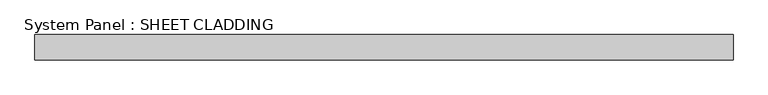
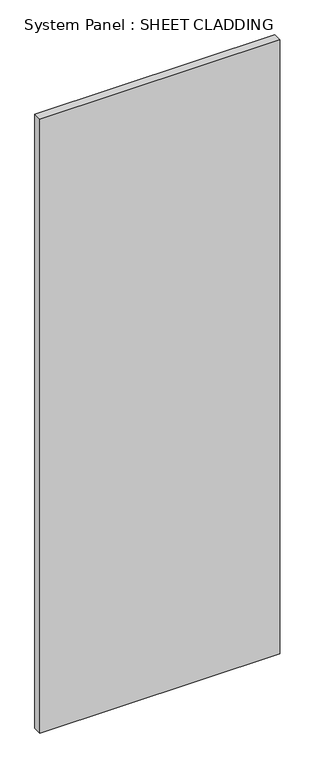
"""IFC4 building model written with IfcOpenShell, lengths in millimetres: plate geometry, System Panel : SHEET CLADDING."""

import ifcopenshell
import ifcopenshell.guid

model = None  # the IFC model being written
_history = None  # IfcOwnerHistory: only IFC2X3 demands one
_inside = {}  # id of a spatial element -> (the spatial element, [elements in it])
_under = {}  # id of a project, library or spatial element -> (it, [spatial elements below it])
_declared = {}  # id of a project -> (the project, [libraries it declares])
_typed = {}  # id of a type object -> (the type object, [elements of that type])
_made_of = {}  # id of a material, layer set ... -> (it, [elements and type objects made of it])


def new_model(schema):
    """Start an empty IFC model of exactly this schema.

    Asked for "IFC4X3", IfcOpenShell would pick the latest addendum, in which some entities
    have other attributes; the version numbers below select the first issue.
    IFC2X3 requires an IfcOwnerHistory on every rooted entity: one is made here for all.
    """
    global model, _history
    if schema == "IFC4X3":
        model = ifcopenshell.file(schema_version=(4, 3, 0, 0))
    else:
        model = ifcopenshell.file(schema=schema)
    _inside.clear()
    _under.clear()
    _declared.clear()
    _typed.clear()
    _made_of.clear()
    _history = None
    if model.schema == "IFC2X3":
        org = make("IfcOrganization", Name="unknown")
        user = make(
            "IfcPersonAndOrganization",
            ThePerson=make("IfcPerson", FamilyName="unknown"),
            TheOrganization=org,
        )
        app = make(
            "IfcApplication",
            ApplicationDeveloper=org,
            Version="unknown",
            ApplicationFullName="unknown",
            ApplicationIdentifier="unknown",
        )
        _history = make(
            "IfcOwnerHistory",
            OwningUser=user,
            OwningApplication=app,
            ChangeAction="ADDED",
            CreationDate=0,
        )
    return model


def make(cls, **values):
    """One entity of the class cls with the attributes given. An attribute that is None is left unset."""
    return model.create_entity(
        cls, **{name: value for name, value in values.items() if value is not None}
    )


def rooted(cls, **values):
    """An entity with a GlobalId (a new one), such as an element, a storey or a relation."""
    return make(cls, GlobalId=ifcopenshell.guid.new(), OwnerHistory=_history, **values)


def si_unit(unit_type, name, prefix=None):
    """IfcSIUnit, for example si_unit("LENGTHUNIT", "METRE", prefix="MILLI")."""
    return make("IfcSIUnit", UnitType=unit_type, Prefix=prefix, Name=name)


def assignment(units):
    """IfcUnitAssignment: the units of a project."""
    return None if units is None else make("IfcUnitAssignment", Units=units)


def point(xyz):
    """IfcCartesianPoint."""
    return None if xyz is None else make("IfcCartesianPoint", Coordinates=xyz)


def direction(xyz):
    """IfcDirection."""
    return None if xyz is None else make("IfcDirection", DirectionRatios=xyz)


def frame(location, z_axis=None, x_axis=None):
    """IfcAxis2Placement3D, a coordinate frame: its origin and axes. An axis left out is left unset."""
    return make(
        "IfcAxis2Placement3D",
        Location=point(location),
        Axis=direction(z_axis),
        RefDirection=direction(x_axis),
    )


def origin():
    """The frame at (0, 0, 0) with its axes left unset."""
    return frame((0.0, 0.0, 0.0))


def origin_with_axes():
    """The frame at (0, 0, 0) with the z axis (0, 0, 1) and the x axis (1, 0, 0) written out."""
    return frame((0.0, 0.0, 0.0), z_axis=(0.0, 0.0, 1.0), x_axis=(1.0, 0.0, 0.0))


def place(relative_to, where):
    """IfcLocalPlacement: puts the frame where relative to a parent placement (None: the world)."""
    return make(
        "IfcLocalPlacement", PlacementRelTo=relative_to, RelativePlacement=where
    )


def context(
    kind, dimensions, precision=None, world=None, true_north=None, identifier=None
):
    """IfcGeometricRepresentationContext, for example the 3D "Model" context."""
    return make(
        "IfcGeometricRepresentationContext",
        ContextIdentifier=identifier,
        ContextType=kind,
        CoordinateSpaceDimension=dimensions,
        Precision=precision,
        WorldCoordinateSystem=world,
        TrueNorth=true_north,
    )


def project(units=None, contexts=None):
    """IfcProject with its units and contexts."""
    return rooted(
        "IfcProject",
        Name="project",
        RepresentationContexts=contexts,
        UnitsInContext=assignment(units),
    )


def spatial(cls, under=None, at=None, **own):
    """A site, building, storey or space (cls), placed at a placement, below another one or the project."""
    s = rooted(cls, ObjectPlacement=at, **own)
    if under is not None:
        _under.setdefault(under.id(), (under, []))[1].append(s)
    return s


def polyline(points):
    """IfcPolyline through the points."""
    return make("IfcPolyline", Points=[point(p) for p in points])


def outline(outer, holes=None, kind="AREA"):
    """IfcArbitraryClosedProfileDef: a profile drawn as a closed curve; with holes, ...WithVoids."""
    if holes is None:
        return make("IfcArbitraryClosedProfileDef", ProfileType=kind, OuterCurve=outer)
    return make(
        "IfcArbitraryProfileDefWithVoids",
        ProfileType=kind,
        OuterCurve=outer,
        InnerCurves=holes,
    )


def extrude(swept, where, along, depth):
    """IfcExtrudedAreaSolid: the profile swept, set in the frame where, extruded along a direction by depth."""
    return make(
        "IfcExtrudedAreaSolid",
        SweptArea=swept,
        Position=where,
        ExtrudedDirection=direction(along),
        Depth=depth,
    )


def shape(context_of_items, identifier, shape_type, items):
    """IfcShapeRepresentation: the items that make up one representation, for example the "Body"."""
    return make(
        "IfcShapeRepresentation",
        ContextOfItems=context_of_items,
        RepresentationIdentifier=identifier,
        RepresentationType=shape_type,
        Items=items,
    )


def source(mapping_origin, context_of_items, identifier, shape_type, items):
    """IfcRepresentationMap: a shape defined once, which mapped items show again and again."""
    return make(
        "IfcRepresentationMap",
        MappingOrigin=mapping_origin,
        MappedRepresentation=shape(context_of_items, identifier, shape_type, items),
    )


def transform(
    local_origin,
    x_axis=None,
    y_axis=None,
    z_axis=None,
    scale=None,
    scale2=None,
    scale3=None,
    uniform=True,
):
    """IfcCartesianTransformationOperator3D, or its non-uniform kind. x_axis, y_axis, z_axis: its Axis1, 2, 3."""
    if uniform:
        return make(
            "IfcCartesianTransformationOperator3D",
            Axis1=direction(x_axis),
            Axis2=direction(y_axis),
            LocalOrigin=point(local_origin),
            Scale=scale,
            Axis3=direction(z_axis),
        )
    return make(
        "IfcCartesianTransformationOperator3DnonUniform",
        Axis1=direction(x_axis),
        Axis2=direction(y_axis),
        LocalOrigin=point(local_origin),
        Scale=scale,
        Axis3=direction(z_axis),
        Scale2=scale2,
        Scale3=scale3,
    )


def mapped(mapping_source, mapping_target):
    """IfcMappedItem: shows the shape of a source again, moved by a transform."""
    return make(
        "IfcMappedItem", MappingSource=mapping_source, MappingTarget=mapping_target
    )


def made_of(thing, what):
    """Note that an element or type object is made of a material, layer set ...; save() writes the relation."""
    if what is not None:
        _made_of.setdefault(what.id(), (what, []))[1].append(thing)
    return thing


def element(
    cls,
    number,
    at=None,
    inside=None,
    cuts=None,
    type_object=None,
    material=None,
    context=None,
    identifier="Body",
    shape_type=None,
    held_by="IfcProductDefinitionShape",
    body=None,
    shapes=None,
    **own,
):
    """One element of the class cls, such as IfcWall. Its Tag is "e" and its number.

    at: its placement. inside: the storey or other place that contains it. cuts: it is an
    opening in that element (IfcRelVoidsElement). A single representation is given by context,
    identifier, shape_type and body (its items); several are given by shapes. held_by: the class
    of the entity that holds the representations. save() writes the other relations.
    """
    e = rooted(cls, Tag="e%d" % number, ObjectPlacement=at, **own)
    if body is not None:
        shapes = [shape(context, identifier, shape_type, body)]
    if shapes is not None:
        e.Representation = make(held_by, Representations=shapes)
    if inside is not None:
        _inside.setdefault(inside.id(), (inside, []))[1].append(e)
    if cuts is not None:
        rooted(
            "IfcRelVoidsElement", RelatingBuildingElement=cuts, RelatedOpeningElement=e
        )
    if type_object is not None:
        _typed.setdefault(type_object.id(), (type_object, []))[1].append(e)
    return made_of(e, material)


def aggregate(whole, parts):
    """IfcRelAggregates: a whole, such as a stair, and the parts it consists of."""
    return rooted("IfcRelAggregates", RelatingObject=whole, RelatedObjects=parts)


def save(model, path):
    """Write the relations noted so far, then the file.

    IfcRelAggregates (storeys below a building ...), IfcRelContainedInSpatialStructure (elements
    in a storey), IfcRelDefinesByType, IfcRelAssociatesMaterial and IfcRelDeclares: one each for
    every whole, place, type object, material and project.
    """
    for whole, parts in _under.values():
        aggregate(whole, parts)
    for where, things in _inside.values():
        rooted(
            "IfcRelContainedInSpatialStructure",
            RelatedElements=things,
            RelatingStructure=where,
        )
    for kind, things in _typed.values():
        rooted("IfcRelDefinesByType", RelatedObjects=things, RelatingType=kind)
    for what, things in _made_of.values():
        rooted("IfcRelAssociatesMaterial", RelatedObjects=things, RelatingMaterial=what)
    for by, libraries in _declared.values():
        rooted("IfcRelDeclares", RelatingContext=by, RelatedDefinitions=libraries)
    model.write(path)


def system_panel_sheet_cladding_d2840864(model_context):
    return source(origin(), model_context, "Body", "SweptSolid", [
        extrude(outline(polyline([(831.1220206, -49.5), (-831.1220206, -49.5), (-831.1220206, 10.5), (831.1220206, 10.5), (831.1220206, -49.5)])), origin_with_axes(), (0.0, 0.0, 1.0), 4500.0),
    ])


if __name__ == "__main__":
    model = new_model("IFC4")
    model_context = context("Model", 3, world=origin())
    ifc_project = project(units=[si_unit("LENGTHUNIT", "METRE", prefix="MILLI")], contexts=[model_context])
    site = spatial("IfcSite", under=ifc_project)
    building = spatial("IfcBuilding", under=site)
    placement = place(None, origin())
    system_panel_sheet_cladding_shape = system_panel_sheet_cladding_d2840864(model_context)
    element("IfcPlate", 1, ObjectType="System Panel : SHEET CLADDING", at=placement, inside=building, context=model_context, shape_type="MappedRepresentation", body=[
        mapped(system_panel_sheet_cladding_shape, transform((0.0, 0.0, 0.0), x_axis=(1.0, 0.0, 0.0), y_axis=(0.0, 1.0, 0.0), z_axis=(0.0, 0.0, 1.0))),
    ])
    save(model, "model.ifc")
